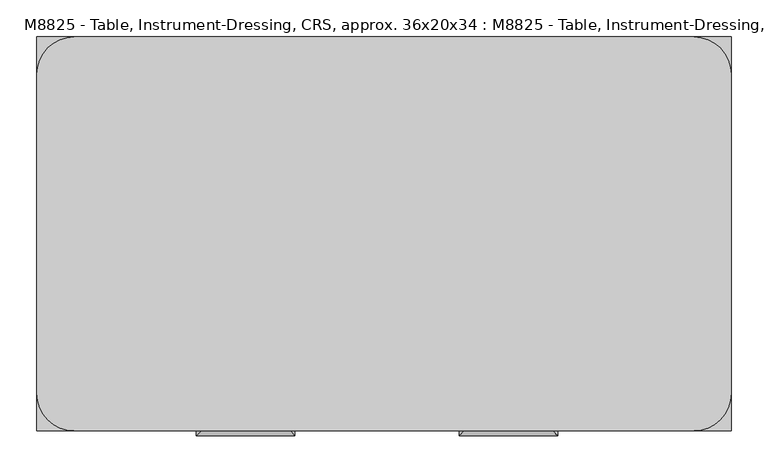
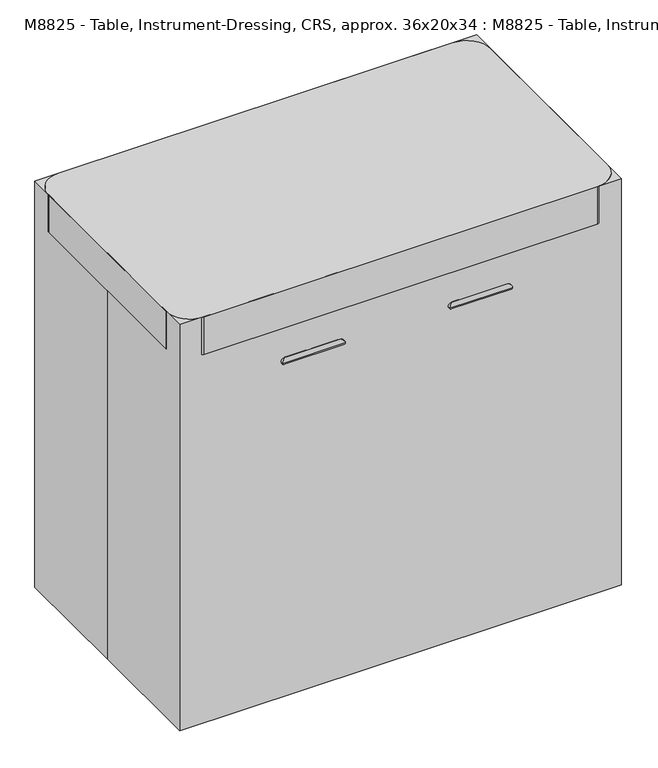
"""IFC4 building model written with IfcOpenShell, lengths in millimetres: proxy geometry, M8825 - Table, Instrument-Dressing, CRS, approx. 36x20x34 : M8825 - Table, Instrument-Dressing, CRS, approx. 36x20x34."""

from ifc_helpers import new_model, si_unit, point, frame, frame_2d, origin, origin_with_axes, place, context, project, spatial, polyline, circle_curve, ellipse_curve, trimmed, segment, composite_curve, outline, extrude, source, transform, mapped, element, save
from ifc_brep_helpers import plane_surface, cylinder_surface, advanced_brep


def m8825_table_instrument_dressing_crs_approx_36x20x34_m8825_21174694(model_context):
    return source(origin(), model_context, "Body", "SolidModel", [
        extrude(outline(polyline([(-349.25, 174.4117179), (-349.25, 212.5117179), (349.25, 212.5117179), (349.25, 174.4117179), (400.05, 174.4117179), (400.05, -171.4283546), (349.25, -171.4283546), (349.25, -209.5283546), (-349.25, -209.5283546), (-349.25, -171.4283546), (-400.05, -171.4283546), (-400.05, 174.4117179), (-349.25, 174.4117179)])), frame((0.0, 0.0, 292.1), z_axis=(0.0, 0.0, 1.0), x_axis=(1.0, 0.0, 0.0)), (0.0, 0.0, 1.0), 38.1),
        advanced_brep(
        [(101.6, -228.5783546, 755.65), (114.3, -228.5783546, 755.65), (101.6, -273.05, 755.65), (114.3, -260.35, 755.65), (234.95, -273.05, 755.65), (222.25, -260.35, 755.65), (234.95, -228.5783546, 755.65), (222.25, -228.5783546, 755.65)],
        [
            (0, 1, circle_curve(frame((107.95, -228.5783546, 755.65), z_axis=(0.0, 1.0, 0.0), x_axis=(1.0, 0.0, 0.0)), 6.35)),
            (1, 0, circle_curve(frame((107.95, -228.5783546, 755.65), z_axis=(0.0, 1.0, 0.0), x_axis=(1.0, 0.0, 0.0)), 6.35)),
            (0, 2),
            (2, 3, ellipse_curve(frame((107.95, -266.7, 755.65), z_axis=(-0.7071067811865457, 0.7071067811865492, 0.0), x_axis=(0.7071067811865491, 0.7071067811865458, 0.0)), 8.9802561, 6.35)),
            (3, 1),
            (3, 2, ellipse_curve(frame((107.95, -266.7, 755.65), z_axis=(-0.7071067811865457, 0.7071067811865492, 0.0), x_axis=(0.7071067811865491, 0.7071067811865458, 0.0)), 8.9802561, 6.35)),
            (2, 4),
            (4, 5, ellipse_curve(frame((228.6, -266.7, 755.65), z_axis=(-0.7071067811865492, -0.7071067811865457, 0.0), x_axis=(-0.7071067811865458, 0.7071067811865492, 0.0)), 8.9802561, 6.35)),
            (5, 3),
            (5, 4, ellipse_curve(frame((228.6, -266.7, 755.65), z_axis=(-0.7071067811865492, -0.7071067811865457, 0.0), x_axis=(-0.7071067811865458, 0.7071067811865492, 0.0)), 8.9802561, 6.35)),
            (6, 7, circle_curve(frame((228.6, -228.5783546, 755.65), z_axis=(0.0, 1.0, 0.0), x_axis=(-1.0, 0.0, 0.0)), 6.35)),
            (7, 6, circle_curve(frame((228.6, -228.5783546, 755.65), z_axis=(0.0, 1.0, 0.0), x_axis=(-1.0, 0.0, 0.0)), 6.35)),
            (4, 6),
            (7, 5),
        ],
        [
            plane_surface(frame((107.95, -228.5783546, 755.65), z_axis=(0.0, 1.0, 0.0), x_axis=(0.0, 0.0, 1.0))),
            cylinder_surface(frame((107.95, -228.5783546, 755.65), z_axis=(0.0, 1.0, 0.0), x_axis=(1.0, 0.0, 0.0)), 6.35),
            cylinder_surface(frame((107.95, -266.7, 755.65), z_axis=(-1.0, 0.0, 0.0), x_axis=(0.0, 1.0, 0.0)), 6.35),
            plane_surface(frame((228.6, -228.5783546, 755.65), z_axis=(0.0, 1.0, 0.0), x_axis=(0.0, 0.0, 1.0))),
            cylinder_surface(frame((228.6, -266.7, 755.65), z_axis=(0.0, -1.0, 0.0), x_axis=(-1.0, 0.0, 0.0)), 6.35),
        ],
        [
            (0, [[1, 2]]),
            (1, [[-1, 3, 4, 5]]),
            (1, [[-2, -5, 6, -3]]),
            (2, [[-4, 7, 8, 9]]),
            (2, [[-6, -9, 10, -7]]),
            (3, [[11, 12]]),
            (4, [[-8, 13, -12, 14]]),
            (4, [[-10, -14, -11, -13]]),
        ],
    ),
        extrude(outline(polyline([(328.7951144, -228.5783546), (23.9951144, -228.5783546), (23.9951144, -209.5283546), (328.7951144, -209.5283546), (328.7951144, -228.5783546)])), frame((0.0, 0.0, 714.264534), z_axis=(0.0, 0.0, 1.0), x_axis=(1.0, 0.0, 0.0)), (0.0, 0.0, 1.0), 88.9),
        advanced_brep(
        [(-254.0, -228.5783546, 755.65), (-241.3, -228.5783546, 755.65), (-254.0, -273.05, 755.65), (-241.3, -260.35, 755.65), (-120.65, -273.05, 755.65), (-133.35, -260.35, 755.65), (-120.65, -228.5783546, 755.65), (-133.35, -228.5783546, 755.65)],
        [
            (0, 1, circle_curve(frame((-247.65, -228.5783546, 755.65), z_axis=(0.0, 1.0, 0.0), x_axis=(1.0, 0.0, 0.0)), 6.35)),
            (1, 0, circle_curve(frame((-247.65, -228.5783546, 755.65), z_axis=(0.0, 1.0, 0.0), x_axis=(1.0, 0.0, 0.0)), 6.35)),
            (0, 2),
            (2, 3, ellipse_curve(frame((-247.65, -266.7, 755.65), z_axis=(-0.7071067811865457, 0.7071067811865492, 0.0), x_axis=(0.7071067811865491, 0.7071067811865458, 0.0)), 8.9802561, 6.35)),
            (3, 1),
            (3, 2, ellipse_curve(frame((-247.65, -266.7, 755.65), z_axis=(-0.7071067811865457, 0.7071067811865492, 0.0), x_axis=(0.7071067811865491, 0.7071067811865458, 0.0)), 8.9802561, 6.35)),
            (2, 4),
            (4, 5, ellipse_curve(frame((-127.0, -266.7, 755.65), z_axis=(-0.7071067811865492, -0.7071067811865457, 0.0), x_axis=(-0.7071067811865458, 0.7071067811865492, 0.0)), 8.9802561, 6.35)),
            (5, 3),
            (5, 4, ellipse_curve(frame((-127.0, -266.7, 755.65), z_axis=(-0.7071067811865492, -0.7071067811865457, 0.0), x_axis=(-0.7071067811865458, 0.7071067811865492, 0.0)), 8.9802561, 6.35)),
            (6, 7, circle_curve(frame((-127.0, -228.5783546, 755.65), z_axis=(0.0, 1.0, 0.0), x_axis=(-1.0, 0.0, 0.0)), 6.35)),
            (7, 6, circle_curve(frame((-127.0, -228.5783546, 755.65), z_axis=(0.0, 1.0, 0.0), x_axis=(-1.0, 0.0, 0.0)), 6.35)),
            (4, 6),
            (7, 5),
        ],
        [
            plane_surface(frame((-247.65, -228.5783546, 755.65), z_axis=(0.0, 1.0, 0.0), x_axis=(0.0, 0.0, 1.0))),
            cylinder_surface(frame((-247.65, -228.5783546, 755.65), z_axis=(0.0, 1.0, 0.0), x_axis=(1.0, 0.0, 0.0)), 6.35),
            cylinder_surface(frame((-247.65, -266.7, 755.65), z_axis=(-1.0, 0.0, 0.0), x_axis=(0.0, 1.0, 0.0)), 6.35),
            plane_surface(frame((-127.0, -228.5783546, 755.65), z_axis=(0.0, 1.0, 0.0), x_axis=(0.0, 0.0, 1.0))),
            cylinder_surface(frame((-127.0, -266.7, 755.65), z_axis=(0.0, -1.0, 0.0), x_axis=(-1.0, 0.0, 0.0)), 6.35),
        ],
        [
            (0, [[1, 2]]),
            (1, [[-1, 3, 4, 5]]),
            (1, [[-2, -5, 6, -3]]),
            (2, [[-4, 7, 8, 9]]),
            (2, [[-6, -9, 10, -7]]),
            (3, [[11, 12]]),
            (4, [[-8, 13, -12, 14]]),
            (4, [[-10, -14, -11, -13]]),
        ],
    ),
        extrude(outline(polyline([(-26.8048856, -228.5783546), (-331.6048856, -228.5783546), (-331.6048856, -209.5283546), (-26.8048856, -209.5283546), (-26.8048856, -228.5783546)])), frame((0.0, 0.0, 714.264534), z_axis=(0.0, 0.0, 1.0), x_axis=(1.0, 0.0, 0.0)), (0.0, 0.0, 1.0), 88.9),
        extrude(outline(polyline([(349.25, 193.4617179), (-349.25, 193.4617179), (-349.25, 212.5117179), (349.25, 212.5117179), (349.25, 193.4617179)])), frame((0.0, 0.0, 690.1016667), z_axis=(0.0, 0.0, 1.0), x_axis=(1.0, 0.0, 0.0)), (0.0, 0.0, 1.0), 139.7),
        extrude(outline(polyline([(349.25, -209.5283546), (-349.25, -209.5283546), (-349.25, -190.4783546), (349.25, -190.4783546), (349.25, -209.5283546)])), frame((0.0, 0.0, 690.1016667), z_axis=(0.0, 0.0, 1.0), x_axis=(1.0, 0.0, 0.0)), (0.0, 0.0, 1.0), 139.7),
        extrude(outline(polyline([(381.0, -171.4283546), (381.0, 174.4117179), (400.05, 174.4117179), (400.05, -171.4283546), (381.0, -171.4283546)])), frame((0.0, 0.0, 690.1016667), z_axis=(0.0, 0.0, 1.0), x_axis=(1.0, 0.0, 0.0)), (0.0, 0.0, 1.0), 139.7),
        extrude(outline(polyline([(-381.0, 174.4117179), (-381.0, -171.4283546), (-400.05, -171.4283546), (-400.05, 174.4117179), (-381.0, 174.4117179)])), frame((0.0, 0.0, 690.1016667), z_axis=(0.0, 0.0, 1.0), x_axis=(1.0, 0.0, 0.0)), (0.0, 0.0, 1.0), 139.7),
        extrude(outline(polyline([(349.25, -209.5283546), (349.25, -171.4283546), (400.05, -171.4283546), (400.05, -209.5283546), (349.25, -209.5283546)])), frame((0.0, 0.0, 127.0), z_axis=(0.0, 0.0, 1.0), x_axis=(1.0, 0.0, 0.0)), (0.0, 0.0, 1.0), 702.8016667),
        extrude(outline(polyline([(349.25, 212.5117179), (400.05, 212.5117179), (400.05, 174.4117179), (349.25, 174.4117179), (349.25, 212.5117179)])), frame((0.0, 0.0, 127.0), z_axis=(0.0, 0.0, 1.0), x_axis=(1.0, 0.0, 0.0)), (0.0, 0.0, 1.0), 702.8016667),
        extrude(outline(polyline([(-349.25, -209.5283546), (-400.05, -209.5283546), (-400.05, -171.4283546), (-349.25, -171.4283546), (-349.25, -209.5283546)])), frame((0.0, 0.0, 127.0), z_axis=(0.0, 0.0, 1.0), x_axis=(1.0, 0.0, 0.0)), (0.0, 0.0, 1.0), 702.8016667),
        extrude(outline(polyline([(-349.25, 212.5117179), (-349.25, 174.4117179), (-400.05, 174.4117179), (-400.05, 212.5117179), (-349.25, 212.5117179)])), frame((0.0, 0.0, 127.0), z_axis=(0.0, 0.0, 1.0), x_axis=(1.0, 0.0, 0.0)), (0.0, 0.0, 1.0), 702.8016667),
        extrude(outline(composite_curve([segment(trimmed(circle_curve(frame_2d((-366.1833333, 193.6533546)), 16.9333333), [point((-366.1833333, 210.5866879))], [point((-366.1833333, 176.7200213))], False, "CARTESIAN"), True, "CONTINUOUS"), segment(trimmed(circle_curve(frame_2d((-366.1833333, 193.6533546)), 16.9333333), [point((-366.1833333, 176.7200213))], [point((-366.1833333, 210.5866879))], False, "CARTESIAN"), True, "CONTINUOUS")], self_intersect=False)), frame((0.0, 0.0, 84.8149176), z_axis=(0.0, 0.0, 1.0), x_axis=(1.0, 0.0, 0.0)), (0.0, 0.0, 1.0), 42.1850824),
        extrude(outline(composite_curve([segment(trimmed(circle_curve(frame_2d((-366.1833333, -190.4783546)), 16.9333333), [point((-366.1833333, -207.4116879))], [point((-366.1833333, -173.5450213))], False, "CARTESIAN"), True, "CONTINUOUS"), segment(trimmed(circle_curve(frame_2d((-366.1833333, -190.4783546)), 16.9333333), [point((-366.1833333, -173.5450213))], [point((-366.1833333, -207.4116879))], False, "CARTESIAN"), True, "CONTINUOUS")], self_intersect=False)), frame((0.0, 0.0, 84.8149176), z_axis=(0.0, 0.0, 1.0), x_axis=(1.0, 0.0, 0.0)), (0.0, 0.0, 1.0), 42.1850824),
        extrude(outline(composite_curve([segment(trimmed(circle_curve(frame_2d((50.8, -349.25)), 50.8), [point((50.8, -400.05))], [point((50.8, -298.45))], False, "CARTESIAN"), True, "CONTINUOUS"), segment(trimmed(circle_curve(frame_2d((50.8, -349.25)), 50.8), [point((50.8, -298.45))], [point((50.8, -400.05))], False, "CARTESIAN"), True, "CONTINUOUS")], self_intersect=False)), frame((0.0, -171.45, 0.0), z_axis=(0.0, 1.0, 0.0), x_axis=(0.0, 0.0, 1.0)), (0.0, 0.0, 1.0), 19.05),
        extrude(outline(composite_curve([segment(trimmed(circle_curve(frame_2d((50.8, -349.25)), 50.8), [point((50.8, -400.05))], [point((50.8, -298.45))], False, "CARTESIAN"), True, "CONTINUOUS"), segment(trimmed(circle_curve(frame_2d((50.8, -349.25)), 50.8), [point((50.8, -298.45))], [point((50.8, -400.05))], False, "CARTESIAN"), True, "CONTINUOUS")], self_intersect=False)), frame((0.0, -228.6, 0.0), z_axis=(0.0, 1.0, 0.0), x_axis=(0.0, 0.0, 1.0)), (0.0, 0.0, 1.0), 19.05),
        extrude(outline(composite_curve([segment(trimmed(circle_curve(frame_2d((50.8, -349.25)), 33.8666667), [point((50.8, -315.3833333))], [point((50.8, -383.1166667))], False, "CARTESIAN"), True, "CONTINUOUS"), segment(trimmed(circle_curve(frame_2d((50.8, -349.25)), 33.8666667), [point((50.8, -383.1166667))], [point((50.8, -315.3833333))], False, "CARTESIAN"), True, "CONTINUOUS")], self_intersect=False)), frame((0.0, -209.55, 0.0), z_axis=(0.0, 1.0, 0.0), x_axis=(0.0, 0.0, 1.0)), (0.0, 0.0, 1.0), 38.1),
        extrude(outline(composite_curve([segment(trimmed(circle_curve(frame_2d((50.8, -349.25)), 50.8), [point((50.8, -400.05))], [point((50.8, -298.45))], False, "CARTESIAN"), True, "CONTINUOUS"), segment(trimmed(circle_curve(frame_2d((50.8, -349.25)), 50.8), [point((50.8, -298.45))], [point((50.8, -400.05))], False, "CARTESIAN"), True, "CONTINUOUS")], self_intersect=False)), frame((0.0, 155.3617179, 0.0), z_axis=(0.0, 1.0, 0.0), x_axis=(0.0, 0.0, 1.0)), (0.0, 0.0, 1.0), 19.05),
        extrude(outline(composite_curve([segment(trimmed(circle_curve(frame_2d((50.8, -349.25)), 50.8), [point((50.8, -400.05))], [point((50.8, -298.45))], False, "CARTESIAN"), True, "CONTINUOUS"), segment(trimmed(circle_curve(frame_2d((50.8, -349.25)), 50.8), [point((50.8, -298.45))], [point((50.8, -400.05))], False, "CARTESIAN"), True, "CONTINUOUS")], self_intersect=False)), frame((0.0, 212.5117179, 0.0), z_axis=(0.0, 1.0, 0.0), x_axis=(0.0, 0.0, 1.0)), (0.0, 0.0, 1.0), 19.05),
        extrude(outline(composite_curve([segment(trimmed(circle_curve(frame_2d((50.8, -349.25)), 33.8666667), [point((50.8, -315.3833333))], [point((50.8, -383.1166667))], False, "CARTESIAN"), True, "CONTINUOUS"), segment(trimmed(circle_curve(frame_2d((50.8, -349.25)), 33.8666667), [point((50.8, -383.1166667))], [point((50.8, -315.3833333))], False, "CARTESIAN"), True, "CONTINUOUS")], self_intersect=False)), frame((0.0, 174.4117179, 0.0), z_axis=(0.0, 1.0, 0.0), x_axis=(0.0, 0.0, 1.0)), (0.0, 0.0, 1.0), 38.1),
        extrude(outline(composite_curve([segment(trimmed(circle_curve(frame_2d((366.1833333, 193.6533546)), 16.9333333), [point((366.1833333, 210.5866879))], [point((366.1833333, 176.7200213))], False, "CARTESIAN"), True, "CONTINUOUS"), segment(trimmed(circle_curve(frame_2d((366.1833333, 193.6533546)), 16.9333333), [point((366.1833333, 176.7200213))], [point((366.1833333, 210.5866879))], False, "CARTESIAN"), True, "CONTINUOUS")], self_intersect=False)), frame((0.0, 0.0, 84.8149176), z_axis=(0.0, 0.0, 1.0), x_axis=(1.0, 0.0, 0.0)), (0.0, 0.0, 1.0), 42.1850824),
        extrude(outline(composite_curve([segment(trimmed(circle_curve(frame_2d((366.1833333, -190.4783546)), 16.9333333), [point((366.1833333, -207.4116879))], [point((366.1833333, -173.5450213))], False, "CARTESIAN"), True, "CONTINUOUS"), segment(trimmed(circle_curve(frame_2d((366.1833333, -190.4783546)), 16.9333333), [point((366.1833333, -173.5450213))], [point((366.1833333, -207.4116879))], False, "CARTESIAN"), True, "CONTINUOUS")], self_intersect=False)), frame((0.0, 0.0, 84.8149176), z_axis=(0.0, 0.0, 1.0), x_axis=(1.0, 0.0, 0.0)), (0.0, 0.0, 1.0), 42.1850824),
        extrude(outline(composite_curve([segment(trimmed(circle_curve(frame_2d((50.8, 349.25)), 50.8), [point((50.8, 400.05))], [point((50.8, 298.45))], False, "CARTESIAN"), True, "CONTINUOUS"), segment(trimmed(circle_curve(frame_2d((50.8, 349.25)), 50.8), [point((50.8, 298.45))], [point((50.8, 400.05))], False, "CARTESIAN"), True, "CONTINUOUS")], self_intersect=False)), frame((0.0, -171.45, 0.0), z_axis=(0.0, 1.0, 0.0), x_axis=(0.0, 0.0, 1.0)), (0.0, 0.0, 1.0), 19.05),
        extrude(outline(composite_curve([segment(trimmed(circle_curve(frame_2d((50.8, 349.25)), 50.8), [point((50.8, 400.05))], [point((50.8, 298.45))], False, "CARTESIAN"), True, "CONTINUOUS"), segment(trimmed(circle_curve(frame_2d((50.8, 349.25)), 50.8), [point((50.8, 298.45))], [point((50.8, 400.05))], False, "CARTESIAN"), True, "CONTINUOUS")], self_intersect=False)), frame((0.0, -228.6, 0.0), z_axis=(0.0, 1.0, 0.0), x_axis=(0.0, 0.0, 1.0)), (0.0, 0.0, 1.0), 19.05),
        extrude(outline(composite_curve([segment(trimmed(circle_curve(frame_2d((50.8, 349.25)), 33.8666667), [point((50.8, 315.3833333))], [point((50.8, 383.1166667))], False, "CARTESIAN"), True, "CONTINUOUS"), segment(trimmed(circle_curve(frame_2d((50.8, 349.25)), 33.8666667), [point((50.8, 383.1166667))], [point((50.8, 315.3833333))], False, "CARTESIAN"), True, "CONTINUOUS")], self_intersect=False)), frame((0.0, -209.55, 0.0), z_axis=(0.0, 1.0, 0.0), x_axis=(0.0, 0.0, 1.0)), (0.0, 0.0, 1.0), 38.1),
        extrude(outline(composite_curve([segment(trimmed(circle_curve(frame_2d((50.8, 349.25)), 50.8), [point((50.8, 400.05))], [point((50.8, 298.45))], False, "CARTESIAN"), True, "CONTINUOUS"), segment(trimmed(circle_curve(frame_2d((50.8, 349.25)), 50.8), [point((50.8, 298.45))], [point((50.8, 400.05))], False, "CARTESIAN"), True, "CONTINUOUS")], self_intersect=False)), frame((0.0, 155.3617179, 0.0), z_axis=(0.0, 1.0, 0.0), x_axis=(0.0, 0.0, 1.0)), (0.0, 0.0, 1.0), 19.05),
        extrude(outline(composite_curve([segment(trimmed(circle_curve(frame_2d((50.8, 349.25)), 50.8), [point((50.8, 400.05))], [point((50.8, 298.45))], False, "CARTESIAN"), True, "CONTINUOUS"), segment(trimmed(circle_curve(frame_2d((50.8, 349.25)), 50.8), [point((50.8, 298.45))], [point((50.8, 400.05))], False, "CARTESIAN"), True, "CONTINUOUS")], self_intersect=False)), frame((0.0, 212.5117179, 0.0), z_axis=(0.0, 1.0, 0.0), x_axis=(0.0, 0.0, 1.0)), (0.0, 0.0, 1.0), 19.05),
        extrude(outline(composite_curve([segment(trimmed(circle_curve(frame_2d((50.8, 349.25)), 33.8666667), [point((50.8, 315.3833333))], [point((50.8, 383.1166667))], False, "CARTESIAN"), True, "CONTINUOUS"), segment(trimmed(circle_curve(frame_2d((50.8, 349.25)), 33.8666667), [point((50.8, 383.1166667))], [point((50.8, 315.3833333))], False, "CARTESIAN"), True, "CONTINUOUS")], self_intersect=False)), frame((0.0, 174.4117179, 0.0), z_axis=(0.0, 1.0, 0.0), x_axis=(0.0, 0.0, 1.0)), (0.0, 0.0, 1.0), 38.1),
        extrude(outline(composite_curve([segment(trimmed(circle_curve(frame_2d((419.1, 215.9)), 50.8), [point((419.1, 266.7))], [point((469.9, 215.9))], False, "CARTESIAN"), True, "CONTINUOUS"), segment(polyline([(469.9, 215.9), (469.9, -215.9)]), True, "CONTINUOUS"), segment(trimmed(circle_curve(frame_2d((419.1, -215.9)), 50.8), [point((469.9, -215.9))], [point((419.1, -266.7))], False, "CARTESIAN"), True, "CONTINUOUS"), segment(polyline([(419.1, -266.7), (-419.1, -266.7)]), True, "CONTINUOUS"), segment(trimmed(circle_curve(frame_2d((-419.1, -215.9)), 50.8), [point((-419.1, -266.7))], [point((-469.9, -215.9))], False, "CARTESIAN"), True, "CONTINUOUS"), segment(polyline([(-469.9, -215.9), (-469.9, 215.9)]), True, "CONTINUOUS"), segment(trimmed(circle_curve(frame_2d((-419.1, 215.9)), 50.8), [point((-469.9, 215.9))], [point((-419.1, 266.7))], False, "CARTESIAN"), True, "CONTINUOUS"), segment(polyline([(-419.1, 266.7), (419.1, 266.7)]), True, "CONTINUOUS")], self_intersect=False)), frame((0.0, 0.0, 829.8016667), z_axis=(0.0, 0.0, 1.0), x_axis=(1.0, 0.0, 0.0)), (0.0, 0.0, 1.0), 84.5983333),
        extrude(outline(polyline([(-469.9, 266.7), (469.9, 266.7), (469.9, -266.7), (-469.9, -266.7), (-469.9, 0.0), (-469.9, 266.7)])), origin_with_axes(), (0.0, 0.0, 1.0), 914.4),
    ])


if __name__ == "__main__":
    model = new_model("IFC4")
    model_context = context("Model", 3, world=origin())
    ifc_project = project(units=[si_unit("LENGTHUNIT", "METRE", prefix="MILLI")], contexts=[model_context])
    site = spatial("IfcSite", under=ifc_project)
    building = spatial("IfcBuilding", under=site)
    placement = place(None, origin())
    m8825_table_instrument_dressing_crs_approx_36x20x34_m8825_shape = m8825_table_instrument_dressing_crs_approx_36x20x34_m8825_21174694(model_context)
    element("IfcBuildingElementProxy", 1, Name="M8825 - Table, Instrument-Dressing, CRS, approx. 36x20x34 : M8825 - Table, Instrument-Dressing, CRS, approx. 36x20x34", ObjectType="M8825 - Table, Instrument-Dressing, CRS, approx. 36x20x34 : M8825 - Table, Instrument-Dressing, CRS, approx. 36x20x34", at=placement, inside=building, context=model_context, shape_type="MappedRepresentation", body=[
        mapped(m8825_table_instrument_dressing_crs_approx_36x20x34_m8825_shape, transform((0.0, 0.0, 0.0), x_axis=(1.0, 0.0, 0.0), y_axis=(0.0, 1.0, 0.0), z_axis=(0.0, 0.0, 1.0))),
    ])
    save(model, "model.ifc")
